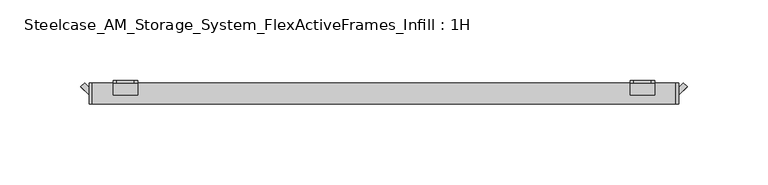
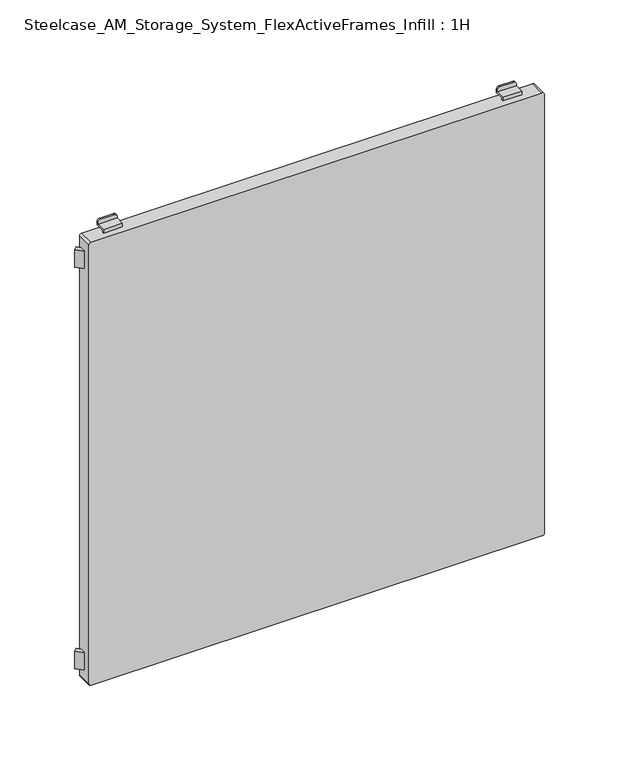
"""IFC4 building model written with IfcOpenShell, lengths in millimetres: furniture geometry, Steelcase_AM_Storage_System_FlexActiveFrames_Infill : 1H."""

from ifc_helpers import new_model, si_unit, point, frame, frame_2d, origin, place, context, project, spatial, polyline, circle_curve, trimmed, segment, composite_curve, outline, extrude, source, transform, mapped, element, save
from ifc_brep_helpers import plane_surface, cylinder_surface, advanced_brep


def steelcase_am_storage_system_flexactiveframes_infill_1h_4de257ca(model_context):
    return source(origin(), model_context, "Body", "SolidModel", [
        advanced_brep(
        [(352.5, -3.0, 115.5), (354.5, -3.0, 113.5), (365.5, -3.0, 113.5), (367.5, -3.0, 115.5), (367.5, -3.0, 117.0), (352.5, -3.0, 117.0), (352.5, -1.5, 118.5), (367.5, -1.5, 118.5), (367.5, -1.5, 115.5), (365.5, -1.5, 113.5), (354.5, -1.5, 113.5), (352.5, -1.5, 115.5), (352.5, -10.4988503, 117.0), (352.5, -10.4988503, 120.0), (352.5, -8.9988503, 120.0), (352.5, -8.9988503, 118.5), (367.5, -8.9988503, 118.5), (367.5, -8.9988503, 120.0), (367.5, -10.4988503, 120.0), (367.5, -10.4988503, 117.0)],
        [
            (0, 1, circle_curve(frame((354.5, -3.0, 115.5), z_axis=(0.0, -1.0, 0.0), x_axis=(1.0, 0.0, 0.0)), 2.0)),
            (1, 2),
            (2, 3, circle_curve(frame((365.5, -3.0, 115.5), z_axis=(0.0, -1.0, 0.0), x_axis=(1.0, 0.0, 0.0)), 2.0)),
            (3, 4),
            (4, 5),
            (5, 0),
            (6, 7),
            (7, 8),
            (8, 9, circle_curve(frame((365.5, -1.5, 115.5), z_axis=(0.0, 1.0, 0.0), x_axis=(1.0, 0.0, 0.0)), 2.0)),
            (9, 10),
            (10, 11, circle_curve(frame((354.5, -1.5, 115.5), z_axis=(0.0, 1.0, 0.0), x_axis=(1.0, 0.0, 0.0)), 2.0)),
            (11, 6),
            (11, 0),
            (5, 12),
            (12, 13),
            (13, 14),
            (14, 15),
            (15, 6),
            (10, 1),
            (9, 2),
            (8, 3),
            (7, 16),
            (16, 17),
            (17, 18),
            (18, 19),
            (19, 4),
            (15, 16),
            (19, 12),
            (14, 17),
            (13, 18),
        ],
        [
            plane_surface(frame((352.5, -3.0, 118.5), z_axis=(0.0, -1.0, 0.0), x_axis=(0.0, 0.0, -1.0))),
            plane_surface(frame((352.5, -1.5, 118.5), z_axis=(0.0, 1.0, 0.0), x_axis=(0.0, 0.0, 1.0))),
            plane_surface(frame((352.5, -3.0, 118.5), z_axis=(-1.0, 0.0, 0.0), x_axis=(0.0, 1.0, 0.0))),
            cylinder_surface(frame((354.5, -1.5, 115.5), z_axis=(0.0, -1.0, 0.0), x_axis=(1.0, 0.0, 0.0)), 2.0),
            plane_surface(frame((354.5, -3.0, 113.5), z_axis=(0.0, 0.0, -1.0), x_axis=(0.0, 1.0, 0.0))),
            cylinder_surface(frame((365.5, -1.5, 115.5), z_axis=(0.0, -1.0, 0.0), x_axis=(1.0, 0.0, 0.0)), 2.0),
            plane_surface(frame((367.5, -3.0, 115.5), z_axis=(1.0, 0.0, 0.0), x_axis=(0.0, 1.0, 0.0))),
            plane_surface(frame((367.5, -3.0, 118.5), z_axis=(0.0, 0.0, 1.0), x_axis=(0.0, 1.0, 0.0))),
            plane_surface(frame((352.5, -3.0, 117.0), z_axis=(0.0, 0.0, -1.0), x_axis=(1.0, 0.0, 0.0))),
            plane_surface(frame((352.5, -8.9988503, 120.0), z_axis=(0.0, 1.0, 0.0), x_axis=(1.0, 0.0, 0.0))),
            plane_surface(frame((352.5, -10.4988503, 120.0), z_axis=(0.0, 0.0, 1.0), x_axis=(1.0, 0.0, 0.0))),
            plane_surface(frame((352.5, -10.4988503, 117.0), z_axis=(0.0, -1.0, 0.0), x_axis=(1.0, 0.0, 0.0))),
        ],
        [
            (0, [[1, 2, 3, 4, 5, 6]]),
            (1, [[7, 8, 9, 10, 11, 12]]),
            (2, [[-12, 13, -6, 14, 15, 16, 17, 18]]),
            (3, [[-1, -13, -11, 19]]),
            (4, [[-2, -19, -10, 20]]),
            (5, [[-3, -20, -9, 21]]),
            (6, [[-8, 22, 23, 24, 25, 26, -4, -21]]),
            (7, [[-22, -7, -18, 27]]),
            (8, [[-14, -5, -26, 28]]),
            (9, [[-17, 29, -23, -27]]),
            (10, [[-16, 30, -24, -29]]),
            (11, [[-15, -28, -25, -30]]),
        ],
    ),
        advanced_brep(
        [(32.5, -3.0, 115.5), (34.5, -3.0, 113.5), (45.5, -3.0, 113.5), (47.5, -3.0, 115.5), (47.5, -3.0, 117.0), (32.5, -3.0, 117.0), (47.5, -1.5, 118.5), (47.5, -1.5, 115.5), (45.5, -1.5, 113.5), (34.5, -1.5, 113.5), (32.5, -1.5, 115.5), (32.5, -1.5, 118.5), (32.5, -8.9988503, 118.5), (47.5, -8.9988503, 118.5), (32.5, -10.4988503, 117.0), (32.5, -10.4988503, 120.0), (32.5, -8.9988503, 120.0), (47.5, -8.9988503, 120.0), (47.5, -10.4988503, 120.0), (47.5, -10.4988503, 117.0)],
        [
            (0, 1, circle_curve(frame((34.5, -3.0, 115.5), z_axis=(0.0, -1.0, 0.0), x_axis=(1.0, 0.0, 0.0)), 2.0)),
            (1, 2),
            (2, 3, circle_curve(frame((45.5, -3.0, 115.5), z_axis=(0.0, -1.0, 0.0), x_axis=(1.0, 0.0, 0.0)), 2.0)),
            (3, 4),
            (4, 5),
            (5, 0),
            (6, 7),
            (7, 8, circle_curve(frame((45.5, -1.5, 115.5), z_axis=(0.0, 1.0, 0.0), x_axis=(1.0, 0.0, 0.0)), 2.0)),
            (8, 9),
            (9, 10, circle_curve(frame((34.5, -1.5, 115.5), z_axis=(0.0, 1.0, 0.0), x_axis=(1.0, 0.0, 0.0)), 2.0)),
            (10, 11),
            (11, 6),
            (11, 12),
            (12, 13),
            (13, 6),
            (10, 0),
            (5, 14),
            (14, 15),
            (15, 16),
            (16, 12),
            (9, 1),
            (8, 2),
            (7, 3),
            (13, 17),
            (17, 18),
            (18, 19),
            (19, 4),
            (19, 14),
            (16, 17),
            (15, 18),
        ],
        [
            plane_surface(frame((352.5, -3.0, 118.5), z_axis=(0.0, -1.0, 0.0), x_axis=(0.0, 0.0, -1.0))),
            plane_surface(frame((352.5, -1.5, 118.5), z_axis=(0.0, 1.0, 0.0), x_axis=(0.0, 0.0, 1.0))),
            plane_surface(frame((47.5, -3.0, 118.5), z_axis=(0.0, 0.0, 1.0), x_axis=(0.0, 1.0, 0.0))),
            plane_surface(frame((32.5, -3.0, 118.5), z_axis=(-1.0, 0.0, 0.0), x_axis=(0.0, 1.0, 0.0))),
            cylinder_surface(frame((34.5, 0.0, 115.5), z_axis=(0.0, -1.0, 0.0), x_axis=(1.0, 0.0, 0.0)), 2.0),
            plane_surface(frame((34.5, -3.0, 113.5), z_axis=(0.0, 0.0, -1.0), x_axis=(0.0, 1.0, 0.0))),
            cylinder_surface(frame((45.5, 0.0, 115.5), z_axis=(0.0, -1.0, 0.0), x_axis=(1.0, 0.0, 0.0)), 2.0),
            plane_surface(frame((47.5, -3.0, 115.5), z_axis=(1.0, 0.0, 0.0), x_axis=(0.0, 1.0, 0.0))),
            plane_surface(frame((47.5, -10.4988503, 117.0), z_axis=(0.0, 0.0, -1.0), x_axis=(-1.0, 0.0, 0.0))),
            plane_surface(frame((47.5, -8.9988503, 118.5), z_axis=(0.0, 1.0, 0.0), x_axis=(-1.0, 0.0, 0.0))),
            plane_surface(frame((47.5, -8.9988503, 120.0), z_axis=(0.0, 0.0, 1.0), x_axis=(-1.0, 0.0, 0.0))),
            plane_surface(frame((47.5, -10.4988503, 120.0), z_axis=(0.0, -1.0, 0.0), x_axis=(-1.0, 0.0, 0.0))),
        ],
        [
            (0, [[1, 2, 3, 4, 5, 6]]),
            (1, [[7, 8, 9, 10, 11, 12]]),
            (2, [[-12, 13, 14, 15]]),
            (3, [[-11, 16, -6, 17, 18, 19, 20, -13]]),
            (4, [[-1, -16, -10, 21]]),
            (5, [[-2, -21, -9, 22]]),
            (6, [[-3, -22, -8, 23]]),
            (7, [[-7, -15, 24, 25, 26, 27, -4, -23]]),
            (8, [[-27, 28, -17, -5]]),
            (9, [[-24, -14, -20, 29]]),
            (10, [[-25, -29, -19, 30]]),
            (11, [[-26, -30, -18, -28]]),
        ],
    ),
        advanced_brep(
        [(367.5, -3.0, 499.5), (365.5, -3.0, 501.5), (354.5, -3.0, 501.5), (352.5, -3.0, 499.5), (352.5, -3.0, 498.0), (367.5, -3.0, 498.0), (352.5, -1.5, 496.5), (352.5, -1.5, 499.5), (354.5, -1.5, 501.5), (365.5, -1.5, 501.5), (367.5, -1.5, 499.5), (367.5, -1.5, 496.5), (352.5, -10.4988503, 498.0), (352.5, -8.9988503, 496.5), (352.5, -8.9988503, 495.0), (352.5, -10.4988503, 495.0), (367.5, -10.4988503, 498.0), (367.5, -10.4988503, 495.0), (367.5, -8.9988503, 495.0), (367.5, -8.9988503, 496.5)],
        [
            (0, 1, circle_curve(frame((365.5, -3.0, 499.5), z_axis=(0.0, -1.0, 0.0), x_axis=(1.0, 0.0, 0.0)), 2.0)),
            (1, 2),
            (2, 3, circle_curve(frame((354.5, -3.0, 499.5), z_axis=(0.0, -1.0, 0.0), x_axis=(1.0, 0.0, 0.0)), 2.0)),
            (3, 4),
            (4, 5),
            (5, 0),
            (6, 7),
            (7, 8, circle_curve(frame((354.5, -1.5, 499.5), z_axis=(0.0, 1.0, 0.0), x_axis=(1.0, 0.0, 0.0)), 2.0)),
            (8, 9),
            (9, 10, circle_curve(frame((365.5, -1.5, 499.5), z_axis=(0.0, 1.0, 0.0), x_axis=(1.0, 0.0, 0.0)), 2.0)),
            (10, 11),
            (11, 6),
            (12, 4),
            (3, 7),
            (6, 13),
            (13, 14),
            (14, 15),
            (15, 12),
            (16, 17),
            (17, 18),
            (18, 19),
            (19, 11),
            (10, 0),
            (5, 16),
            (19, 13),
            (9, 1),
            (8, 2),
            (15, 17),
            (16, 12),
            (14, 18),
        ],
        [
            plane_surface(frame((352.5, -3.0, 118.5), z_axis=(0.0, -1.0, 0.0), x_axis=(0.0, 0.0, -1.0))),
            plane_surface(frame((352.5, -1.5, 118.5), z_axis=(0.0, 1.0, 0.0), x_axis=(0.0, 0.0, 1.0))),
            plane_surface(frame((352.5, -3.0, 118.5), z_axis=(-1.0, 0.0, 0.0), x_axis=(0.0, 1.0, 0.0))),
            plane_surface(frame((367.5, -3.0, 115.5), z_axis=(1.0, 0.0, 0.0), x_axis=(0.0, 1.0, 0.0))),
            plane_surface(frame((352.5, -3.0, 496.5), z_axis=(0.0, 0.0, -1.0), x_axis=(0.0, 1.0, 0.0))),
            cylinder_surface(frame((365.5, 0.0, 499.5), z_axis=(0.0, -1.0, 0.0), x_axis=(1.0, 0.0, 0.0)), 2.0),
            plane_surface(frame((365.5, -3.0, 501.5), z_axis=(0.0, 0.0, 1.0), x_axis=(0.0, 1.0, 0.0))),
            cylinder_surface(frame((354.5, 0.0, 499.5), z_axis=(0.0, -1.0, 0.0), x_axis=(1.0, 0.0, 0.0)), 2.0),
            plane_surface(frame((352.5, -10.4988503, 495.0), z_axis=(0.0, -1.0, 0.0), x_axis=(1.0, 0.0, 0.0))),
            plane_surface(frame((352.5, -8.9988503, 495.0), z_axis=(0.0, 0.0, -1.0), x_axis=(1.0, 0.0, 0.0))),
            plane_surface(frame((352.5, -8.9988503, 496.5), z_axis=(0.0, 1.0, 0.0), x_axis=(1.0, 0.0, 0.0))),
            plane_surface(frame((352.5, -10.4988503, 498.0), z_axis=(0.0, 0.0, 1.0), x_axis=(1.0, 0.0, 0.0))),
        ],
        [
            (0, [[1, 2, 3, 4, 5, 6]]),
            (1, [[7, 8, 9, 10, 11, 12]]),
            (2, [[13, -4, 14, -7, 15, 16, 17, 18]]),
            (3, [[19, 20, 21, 22, -11, 23, -6, 24]]),
            (4, [[-15, -12, -22, 25]]),
            (5, [[-1, -23, -10, 26]]),
            (6, [[-2, -26, -9, 27]]),
            (7, [[-3, -27, -8, -14]]),
            (8, [[-18, 28, -19, 29]]),
            (9, [[-17, 30, -20, -28]]),
            (10, [[-16, -25, -21, -30]]),
            (11, [[-13, -29, -24, -5]]),
        ],
    ),
        advanced_brep(
        [(47.5, -3.0, 499.5), (45.5, -3.0, 501.5), (34.5, -3.0, 501.5), (32.5, -3.0, 499.5), (32.5, -3.0, 498.0), (47.5, -3.0, 498.0), (47.5, -1.5, 496.5), (32.5, -1.5, 496.5), (32.5, -1.5, 499.5), (34.5, -1.5, 501.5), (45.5, -1.5, 501.5), (47.5, -1.5, 499.5), (32.5, -8.9988503, 496.5), (32.5, -8.9988503, 495.0), (32.5, -10.4988503, 495.0), (32.5, -10.4988503, 498.0), (47.5, -10.4988503, 498.0), (47.5, -10.4988503, 495.0), (47.5, -8.9988503, 495.0), (47.5, -8.9988503, 496.5)],
        [
            (0, 1, circle_curve(frame((45.5, -3.0, 499.5), z_axis=(0.0, -1.0, 0.0), x_axis=(1.0, 0.0, 0.0)), 2.0)),
            (1, 2),
            (2, 3, circle_curve(frame((34.5, -3.0, 499.5), z_axis=(0.0, -1.0, 0.0), x_axis=(1.0, 0.0, 0.0)), 2.0)),
            (3, 4),
            (4, 5),
            (5, 0),
            (6, 7),
            (7, 8),
            (8, 9, circle_curve(frame((34.5, -1.5, 499.5), z_axis=(0.0, 1.0, 0.0), x_axis=(1.0, 0.0, 0.0)), 2.0)),
            (9, 10),
            (10, 11, circle_curve(frame((45.5, -1.5, 499.5), z_axis=(0.0, 1.0, 0.0), x_axis=(1.0, 0.0, 0.0)), 2.0)),
            (11, 6),
            (7, 12),
            (12, 13),
            (13, 14),
            (14, 15),
            (15, 4),
            (3, 8),
            (11, 0),
            (5, 16),
            (16, 17),
            (17, 18),
            (18, 19),
            (19, 6),
            (10, 1),
            (9, 2),
            (19, 12),
            (16, 15),
            (14, 17),
            (13, 18),
        ],
        [
            plane_surface(frame((352.5, -3.0, 118.5), z_axis=(0.0, -1.0, 0.0), x_axis=(0.0, 0.0, -1.0))),
            plane_surface(frame((352.5, -1.5, 118.5), z_axis=(0.0, 1.0, 0.0), x_axis=(0.0, 0.0, 1.0))),
            plane_surface(frame((32.5, -3.0, 118.5), z_axis=(-1.0, 0.0, 0.0), x_axis=(0.0, 1.0, 0.0))),
            plane_surface(frame((47.5, -3.0, 115.5), z_axis=(1.0, 0.0, 0.0), x_axis=(0.0, 1.0, 0.0))),
            cylinder_surface(frame((45.5, 0.0, 499.5), z_axis=(0.0, -1.0, 0.0), x_axis=(1.0, 0.0, 0.0)), 2.0),
            plane_surface(frame((45.5, -3.0, 501.5), z_axis=(0.0, 0.0, 1.0), x_axis=(0.0, 1.0, 0.0))),
            cylinder_surface(frame((34.5, 0.0, 499.5), z_axis=(0.0, -1.0, 0.0), x_axis=(1.0, 0.0, 0.0)), 2.0),
            plane_surface(frame((32.5, -3.0, 496.5), z_axis=(0.0, 0.0, -1.0), x_axis=(0.0, 1.0, 0.0))),
            plane_surface(frame((47.5, -10.4988503, 498.0), z_axis=(0.0, -1.0, 0.0), x_axis=(-1.0, 0.0, 0.0))),
            plane_surface(frame((47.5, -10.4988503, 495.0), z_axis=(0.0, 0.0, -1.0), x_axis=(-1.0, 0.0, 0.0))),
            plane_surface(frame((47.5, -8.9988503, 495.0), z_axis=(0.0, 1.0, 0.0), x_axis=(-1.0, 0.0, 0.0))),
            plane_surface(frame((47.5, -3.0, 498.0), z_axis=(0.0, 0.0, 1.0), x_axis=(-1.0, 0.0, 0.0))),
        ],
        [
            (0, [[1, 2, 3, 4, 5, 6]]),
            (1, [[7, 8, 9, 10, 11, 12]]),
            (2, [[-8, 13, 14, 15, 16, 17, -4, 18]]),
            (3, [[-12, 19, -6, 20, 21, 22, 23, 24]]),
            (4, [[-1, -19, -11, 25]]),
            (5, [[-2, -25, -10, 26]]),
            (6, [[-3, -26, -9, -18]]),
            (7, [[-7, -24, 27, -13]]),
            (8, [[-21, 28, -16, 29]]),
            (9, [[-22, -29, -15, 30]]),
            (10, [[-23, -30, -14, -27]]),
            (11, [[-20, -5, -17, -28]]),
        ],
    ),
        extrude(outline(composite_curve([segment(polyline([(493.2, 17.5), (121.8, 17.5)]), True, "CONTINUOUS"), segment(trimmed(circle_curve(frame_2d((121.8, 19.3)), 1.8), [point((121.8, 17.5))], [point((120.0, 19.3))], False, "CARTESIAN"), True, "CONTINUOUS"), segment(polyline([(120.0, 19.3), (120.0, 380.7)]), True, "CONTINUOUS"), segment(trimmed(circle_curve(frame_2d((121.8, 380.7)), 1.8), [point((120.0, 380.7))], [point((121.8, 382.5))], False, "CARTESIAN"), True, "CONTINUOUS"), segment(polyline([(121.8, 382.5), (493.2, 382.5)]), True, "CONTINUOUS"), segment(trimmed(circle_curve(frame_2d((493.2, 380.7)), 1.8), [point((493.2, 382.5))], [point((495.0, 380.7))], False, "CARTESIAN"), True, "CONTINUOUS"), segment(polyline([(495.0, 380.7), (495.0, 19.3)]), True, "CONTINUOUS"), segment(trimmed(circle_curve(frame_2d((493.2, 19.3)), 1.8), [point((495.0, 19.3))], [point((493.2, 17.5))], False, "CARTESIAN"), True, "CONTINUOUS")], self_intersect=False)), frame((0.0, -16.000205, 0.0), z_axis=(0.0, 1.0, 0.0), x_axis=(0.0, 0.0, 1.0)), (0.0, 0.0, 1.0), 13.000205),
        extrude(outline(polyline([(14.6776695, -3.0), (17.5, -5.8223305), (17.5, -10.4988503), (12.3394096, -5.3382599), (14.6776695, -3.0)])), frame((0.0, 0.0, 470.0), z_axis=(0.0, 0.0, 1.0), x_axis=(1.0, 0.0, 0.0)), (0.0, 0.0, 1.0), 15.0),
        extrude(outline(polyline([(385.3223305, -3.0), (387.6605904, -5.3382599), (382.5, -10.4988503), (382.5, -5.8223305), (385.3223305, -3.0)])), frame((0.0, 0.0, 470.0), z_axis=(0.0, 0.0, 1.0), x_axis=(1.0, 0.0, 0.0)), (0.0, 0.0, 1.0), 15.0),
        extrude(outline(polyline([(14.6776695, -3.0), (17.5, -5.8223305), (17.5, -10.4988503), (12.3394096, -5.3382599), (14.6776695, -3.0)])), frame((0.0, 0.0, 130.0), z_axis=(0.0, 0.0, 1.0), x_axis=(1.0, 0.0, 0.0)), (0.0, 0.0, 1.0), 15.0),
        extrude(outline(polyline([(385.3223305, -3.0), (387.6605904, -5.3382599), (382.5, -10.4988503), (382.5, -5.8223305), (385.3223305, -3.0)])), frame((0.0, 0.0, 130.0), z_axis=(0.0, 0.0, 1.0), x_axis=(1.0, 0.0, 0.0)), (0.0, 0.0, 1.0), 15.0),
    ])


if __name__ == "__main__":
    model = new_model("IFC4")
    model_context = context("Model", 3, world=origin())
    ifc_project = project(units=[si_unit("LENGTHUNIT", "METRE", prefix="MILLI")], contexts=[model_context])
    site = spatial("IfcSite", under=ifc_project)
    building = spatial("IfcBuilding", under=site)
    placement = place(None, origin())
    steelcase_am_storage_system_flexactiveframes_infill_1h_shape = steelcase_am_storage_system_flexactiveframes_infill_1h_4de257ca(model_context)
    element("IfcFurniture", 1, ObjectType="Steelcase_AM_Storage_System_FlexActiveFrames_Infill : 1H", at=placement, inside=building, context=model_context, shape_type="MappedRepresentation", body=[
        mapped(steelcase_am_storage_system_flexactiveframes_infill_1h_shape, transform((0.0, 0.0, 0.0), x_axis=(1.0, 0.0, 0.0), y_axis=(0.0, 1.0, 0.0), z_axis=(0.0, 0.0, 1.0))),
    ])
    save(model, "model.ifc")
